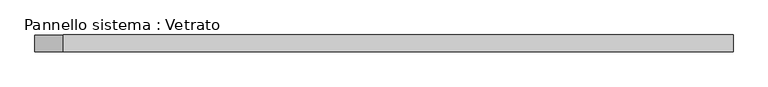
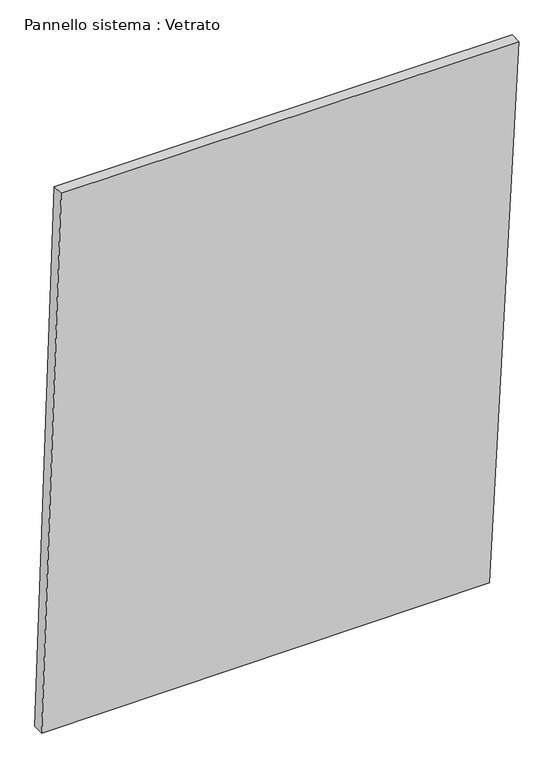
"""IFC4 building model written with IfcOpenShell, lengths in millimetres: plate geometry, Pannello sistema : Vetrato."""

import ifcopenshell
import ifcopenshell.guid

model = None  # the IFC model being written
_history = None  # IfcOwnerHistory: only IFC2X3 demands one
_inside = {}  # id of a spatial element -> (the spatial element, [elements in it])
_under = {}  # id of a project, library or spatial element -> (it, [spatial elements below it])
_declared = {}  # id of a project -> (the project, [libraries it declares])
_typed = {}  # id of a type object -> (the type object, [elements of that type])
_made_of = {}  # id of a material, layer set ... -> (it, [elements and type objects made of it])


def new_model(schema):
    """Start an empty IFC model of exactly this schema.

    Asked for "IFC4X3", IfcOpenShell would pick the latest addendum, in which some entities
    have other attributes; the version numbers below select the first issue.
    IFC2X3 requires an IfcOwnerHistory on every rooted entity: one is made here for all.
    """
    global model, _history
    if schema == "IFC4X3":
        model = ifcopenshell.file(schema_version=(4, 3, 0, 0))
    else:
        model = ifcopenshell.file(schema=schema)
    _inside.clear()
    _under.clear()
    _declared.clear()
    _typed.clear()
    _made_of.clear()
    _history = None
    if model.schema == "IFC2X3":
        org = make("IfcOrganization", Name="unknown")
        user = make(
            "IfcPersonAndOrganization",
            ThePerson=make("IfcPerson", FamilyName="unknown"),
            TheOrganization=org,
        )
        app = make(
            "IfcApplication",
            ApplicationDeveloper=org,
            Version="unknown",
            ApplicationFullName="unknown",
            ApplicationIdentifier="unknown",
        )
        _history = make(
            "IfcOwnerHistory",
            OwningUser=user,
            OwningApplication=app,
            ChangeAction="ADDED",
            CreationDate=0,
        )
    return model


def make(cls, **values):
    """One entity of the class cls with the attributes given. An attribute that is None is left unset."""
    return model.create_entity(
        cls, **{name: value for name, value in values.items() if value is not None}
    )


def rooted(cls, **values):
    """An entity with a GlobalId (a new one), such as an element, a storey or a relation."""
    return make(cls, GlobalId=ifcopenshell.guid.new(), OwnerHistory=_history, **values)


def si_unit(unit_type, name, prefix=None):
    """IfcSIUnit, for example si_unit("LENGTHUNIT", "METRE", prefix="MILLI")."""
    return make("IfcSIUnit", UnitType=unit_type, Prefix=prefix, Name=name)


def assignment(units):
    """IfcUnitAssignment: the units of a project."""
    return None if units is None else make("IfcUnitAssignment", Units=units)


def point(xyz):
    """IfcCartesianPoint."""
    return None if xyz is None else make("IfcCartesianPoint", Coordinates=xyz)


def direction(xyz):
    """IfcDirection."""
    return None if xyz is None else make("IfcDirection", DirectionRatios=xyz)


def frame(location, z_axis=None, x_axis=None):
    """IfcAxis2Placement3D, a coordinate frame: its origin and axes. An axis left out is left unset."""
    return make(
        "IfcAxis2Placement3D",
        Location=point(location),
        Axis=direction(z_axis),
        RefDirection=direction(x_axis),
    )


def origin():
    """The frame at (0, 0, 0) with its axes left unset."""
    return frame((0.0, 0.0, 0.0))


def place(relative_to, where):
    """IfcLocalPlacement: puts the frame where relative to a parent placement (None: the world)."""
    return make(
        "IfcLocalPlacement", PlacementRelTo=relative_to, RelativePlacement=where
    )


def context(
    kind, dimensions, precision=None, world=None, true_north=None, identifier=None
):
    """IfcGeometricRepresentationContext, for example the 3D "Model" context."""
    return make(
        "IfcGeometricRepresentationContext",
        ContextIdentifier=identifier,
        ContextType=kind,
        CoordinateSpaceDimension=dimensions,
        Precision=precision,
        WorldCoordinateSystem=world,
        TrueNorth=true_north,
    )


def project(units=None, contexts=None):
    """IfcProject with its units and contexts."""
    return rooted(
        "IfcProject",
        Name="project",
        RepresentationContexts=contexts,
        UnitsInContext=assignment(units),
    )


def spatial(cls, under=None, at=None, **own):
    """A site, building, storey or space (cls), placed at a placement, below another one or the project."""
    s = rooted(cls, ObjectPlacement=at, **own)
    if under is not None:
        _under.setdefault(under.id(), (under, []))[1].append(s)
    return s


def polyline(points):
    """IfcPolyline through the points."""
    return make("IfcPolyline", Points=[point(p) for p in points])


def outline(outer, holes=None, kind="AREA"):
    """IfcArbitraryClosedProfileDef: a profile drawn as a closed curve; with holes, ...WithVoids."""
    if holes is None:
        return make("IfcArbitraryClosedProfileDef", ProfileType=kind, OuterCurve=outer)
    return make(
        "IfcArbitraryProfileDefWithVoids",
        ProfileType=kind,
        OuterCurve=outer,
        InnerCurves=holes,
    )


def extrude(swept, where, along, depth):
    """IfcExtrudedAreaSolid: the profile swept, set in the frame where, extruded along a direction by depth."""
    return make(
        "IfcExtrudedAreaSolid",
        SweptArea=swept,
        Position=where,
        ExtrudedDirection=direction(along),
        Depth=depth,
    )


def shape(context_of_items, identifier, shape_type, items):
    """IfcShapeRepresentation: the items that make up one representation, for example the "Body"."""
    return make(
        "IfcShapeRepresentation",
        ContextOfItems=context_of_items,
        RepresentationIdentifier=identifier,
        RepresentationType=shape_type,
        Items=items,
    )


def source(mapping_origin, context_of_items, identifier, shape_type, items):
    """IfcRepresentationMap: a shape defined once, which mapped items show again and again."""
    return make(
        "IfcRepresentationMap",
        MappingOrigin=mapping_origin,
        MappedRepresentation=shape(context_of_items, identifier, shape_type, items),
    )


def transform(
    local_origin,
    x_axis=None,
    y_axis=None,
    z_axis=None,
    scale=None,
    scale2=None,
    scale3=None,
    uniform=True,
):
    """IfcCartesianTransformationOperator3D, or its non-uniform kind. x_axis, y_axis, z_axis: its Axis1, 2, 3."""
    if uniform:
        return make(
            "IfcCartesianTransformationOperator3D",
            Axis1=direction(x_axis),
            Axis2=direction(y_axis),
            LocalOrigin=point(local_origin),
            Scale=scale,
            Axis3=direction(z_axis),
        )
    return make(
        "IfcCartesianTransformationOperator3DnonUniform",
        Axis1=direction(x_axis),
        Axis2=direction(y_axis),
        LocalOrigin=point(local_origin),
        Scale=scale,
        Axis3=direction(z_axis),
        Scale2=scale2,
        Scale3=scale3,
    )


def mapped(mapping_source, mapping_target):
    """IfcMappedItem: shows the shape of a source again, moved by a transform."""
    return make(
        "IfcMappedItem", MappingSource=mapping_source, MappingTarget=mapping_target
    )


def made_of(thing, what):
    """Note that an element or type object is made of a material, layer set ...; save() writes the relation."""
    if what is not None:
        _made_of.setdefault(what.id(), (what, []))[1].append(thing)
    return thing


def element(
    cls,
    number,
    at=None,
    inside=None,
    cuts=None,
    type_object=None,
    material=None,
    context=None,
    identifier="Body",
    shape_type=None,
    held_by="IfcProductDefinitionShape",
    body=None,
    shapes=None,
    **own,
):
    """One element of the class cls, such as IfcWall. Its Tag is "e" and its number.

    at: its placement. inside: the storey or other place that contains it. cuts: it is an
    opening in that element (IfcRelVoidsElement). A single representation is given by context,
    identifier, shape_type and body (its items); several are given by shapes. held_by: the class
    of the entity that holds the representations. save() writes the other relations.
    """
    e = rooted(cls, Tag="e%d" % number, ObjectPlacement=at, **own)
    if body is not None:
        shapes = [shape(context, identifier, shape_type, body)]
    if shapes is not None:
        e.Representation = make(held_by, Representations=shapes)
    if inside is not None:
        _inside.setdefault(inside.id(), (inside, []))[1].append(e)
    if cuts is not None:
        rooted(
            "IfcRelVoidsElement", RelatingBuildingElement=cuts, RelatedOpeningElement=e
        )
    if type_object is not None:
        _typed.setdefault(type_object.id(), (type_object, []))[1].append(e)
    return made_of(e, material)


def aggregate(whole, parts):
    """IfcRelAggregates: a whole, such as a stair, and the parts it consists of."""
    return rooted("IfcRelAggregates", RelatingObject=whole, RelatedObjects=parts)


def save(model, path):
    """Write the relations noted so far, then the file.

    IfcRelAggregates (storeys below a building ...), IfcRelContainedInSpatialStructure (elements
    in a storey), IfcRelDefinesByType, IfcRelAssociatesMaterial and IfcRelDeclares: one each for
    every whole, place, type object, material and project.
    """
    for whole, parts in _under.values():
        aggregate(whole, parts)
    for where, things in _inside.values():
        rooted(
            "IfcRelContainedInSpatialStructure",
            RelatedElements=things,
            RelatingStructure=where,
        )
    for kind, things in _typed.values():
        rooted("IfcRelDefinesByType", RelatedObjects=things, RelatingType=kind)
    for what, things in _made_of.values():
        rooted("IfcRelAssociatesMaterial", RelatedObjects=things, RelatingMaterial=what)
    for by, libraries in _declared.values():
        rooted("IfcRelDeclares", RelatingContext=by, RelatedDefinitions=libraries)
    model.write(path)


def pannello_sistema_vetrato_8f625b3a(model_context):
    return source(origin(), model_context, "Body", "SweptSolid", [
        extrude(outline(polyline([(0.0, -619.7895222), (5.1552579, 542.9579587), (1463.3732433, 619.7895222), (1463.3732433, -569.1248917), (0.0, -619.7895222)])), frame((0.0, -15.0, 0.0), z_axis=(0.0, 1.0, 0.0), x_axis=(0.0, 0.0, 1.0)), (0.0, 0.0, 1.0), 30.0),
    ])


if __name__ == "__main__":
    model = new_model("IFC4")
    model_context = context("Model", 3, world=origin())
    ifc_project = project(units=[si_unit("LENGTHUNIT", "METRE", prefix="MILLI")], contexts=[model_context])
    site = spatial("IfcSite", under=ifc_project)
    building = spatial("IfcBuilding", under=site)
    placement = place(None, origin())
    pannello_sistema_vetrato_shape = pannello_sistema_vetrato_8f625b3a(model_context)
    element("IfcPlate", 1, ObjectType="Pannello sistema : Vetrato", at=placement, inside=building, context=model_context, shape_type="MappedRepresentation", body=[
        mapped(pannello_sistema_vetrato_shape, transform((0.0, 0.0, 0.0), x_axis=(1.0, 0.0, 0.0), y_axis=(0.0, 1.0, 0.0), z_axis=(0.0, 0.0, 1.0))),
    ])
    save(model, "model.ifc")
